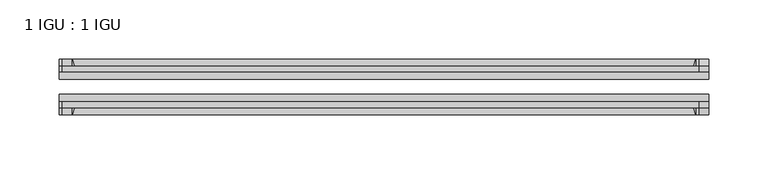
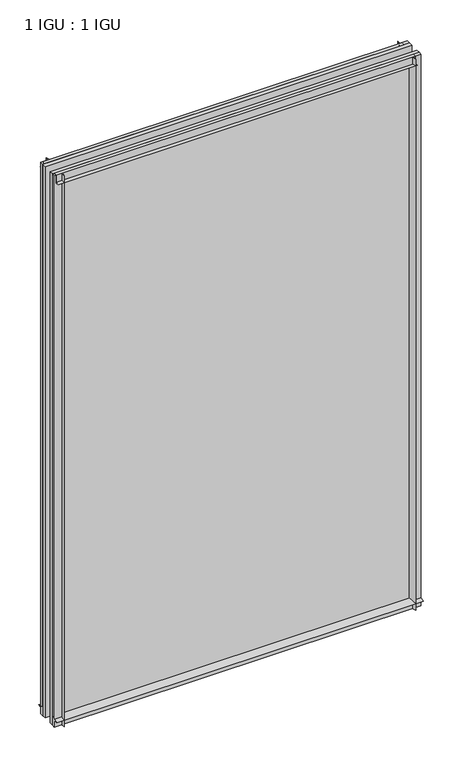
"""IFC4 building model written with IfcOpenShell, lengths in millimetres: plate geometry, 1 IGU : 1 IGU."""

from ifc_helpers import new_model, si_unit, point, frame, frame_2d, origin, place, context, project, spatial, polyline, circle_curve, trimmed, segment, composite_curve, outline, extrude, source, transform, mapped, element, save


def plate_1_igu_1_igu_fc10fbbc(model_context):
    return source(origin(), model_context, "Body", "SweptSolid", [
        extrude(outline(composite_curve([segment(trimmed(circle_curve(frame_2d((-28.0741797, 32.2797688)), 32.7673262), [point((-44.45, 3.8979053))], [point((-33.7058, 1.48e-05))], True, "CARTESIAN"), True, "CONTINUOUS"), segment(polyline([(-33.7058, 1.48e-05), (-39.6748, 1.48e-05), (-39.6748, -10.31875), (-44.45, -10.31875), (-44.45, 3.8979053)]), True, "CONTINUOUS")], self_intersect=False)), frame((-274.6375, 0.0, 0.0), z_axis=(1.0, 0.0, 0.0), x_axis=(0.0, 1.0, 0.0)), (0.0, 0.0, 1.0), 549.275),
        extrude(outline(composite_curve([segment(trimmed(circle_curve(frame_2d((-86.2258203, 32.2797602)), 32.7673262), [point((-80.5942354, 0.0))], [point((-69.85, 3.8978967))], True, "CARTESIAN"), True, "CONTINUOUS"), segment(polyline([(-69.85, 3.8978967), (-69.85, -10.31875), (-74.6252, -10.31875), (-74.6252, 0.0), (-80.5942354, 0.0)]), True, "CONTINUOUS")], self_intersect=False)), frame((-274.6375, 0.0, 0.0), z_axis=(1.0, 0.0, 0.0), x_axis=(0.0, 1.0, 0.0)), (0.0, 0.0, 1.0), 549.275),
        extrude(outline(composite_curve([segment(polyline([(-80.5942, 850.9), (-74.6252, 850.9), (-74.6252, 862.0125), (-69.85, 862.0125), (-69.85, 847.0021095)]), True, "CONTINUOUS"), segment(trimmed(circle_curve(frame_2d((-86.2258203, 818.620246)), 32.7673262), [point((-69.85, 847.0021095))], [point((-80.5942, 850.9))], True, "CARTESIAN"), True, "CONTINUOUS")], self_intersect=False)), frame((-272.0377386, 0.0, 0.0), z_axis=(1.0, 0.0, 0.0), x_axis=(0.0, 1.0, 0.0)), (0.0, 0.0, 1.0), 538.1087001),
        extrude(outline(composite_curve([segment(polyline([(-39.6748, 862.0125), (-39.6748, 850.9), (-33.7058, 850.9)]), True, "CONTINUOUS"), segment(trimmed(circle_curve(frame_2d((-28.0741797, 818.620246)), 32.7673262), [point((-33.7058, 850.9))], [point((-44.45, 847.0021095))], True, "CARTESIAN"), True, "CONTINUOUS"), segment(polyline([(-44.45, 847.0021095), (-44.45, 862.0125), (-39.6748, 862.0125)]), True, "CONTINUOUS")], self_intersect=False)), frame((-272.0377386, 0.0, 0.0), z_axis=(1.0, 0.0, 0.0), x_axis=(0.0, 1.0, 0.0)), (0.0, 0.0, 1.0), 538.1087001),
        extrude(outline(composite_curve([segment(polyline([(274.6375, -39.6748), (274.6375, -44.45), (259.6271095, -44.45)]), True, "CONTINUOUS"), segment(trimmed(circle_curve(frame_2d((231.245246, -28.0741797)), 32.7673262), [point((259.6271095, -44.45))], [point((263.525, -33.7058))], True, "CARTESIAN"), True, "CONTINUOUS"), segment(polyline([(263.525, -33.7058), (263.525, -39.6748), (274.6375, -39.6748)]), True, "CONTINUOUS")], self_intersect=False)), frame((0.0, 0.0, -10.31875), z_axis=(0.0, 0.0, 1.0), x_axis=(1.0, 0.0, 0.0)), (0.0, 0.0, 1.0), 872.33125),
        extrude(outline(composite_curve([segment(polyline([(274.6375, -69.85), (274.6375, -74.6252), (263.525, -74.6252), (263.525, -80.5942)]), True, "CONTINUOUS"), segment(trimmed(circle_curve(frame_2d((231.245246, -86.2258203)), 32.7673262), [point((263.525, -80.5942))], [point((259.6271095, -69.85))], True, "CARTESIAN"), True, "CONTINUOUS"), segment(polyline([(259.6271095, -69.85), (274.6375, -69.85)]), True, "CONTINUOUS")], self_intersect=False)), frame((0.0, 0.0, -10.31875), z_axis=(0.0, 0.0, 1.0), x_axis=(1.0, 0.0, 0.0)), (0.0, 0.0, 1.0), 872.33125),
        extrude(outline(composite_curve([segment(polyline([(-274.6375, -39.6748), (-263.525, -39.6748), (-263.525, -33.7058)]), True, "CONTINUOUS"), segment(trimmed(circle_curve(frame_2d((-231.245246, -28.0741797)), 32.7673262), [point((-263.525, -33.7058))], [point((-259.6271095, -44.45))], True, "CARTESIAN"), True, "CONTINUOUS"), segment(polyline([(-259.6271095, -44.45), (-274.6375, -44.45), (-274.6375, -39.6748)]), True, "CONTINUOUS")], self_intersect=False)), frame((0.0, 0.0, -10.31875), z_axis=(0.0, 0.0, 1.0), x_axis=(1.0, 0.0, 0.0)), (0.0, 0.0, 1.0), 872.33125),
        extrude(outline(composite_curve([segment(polyline([(-274.6375, -74.6252), (-274.6375, -69.85), (-259.6271095, -69.85)]), True, "CONTINUOUS"), segment(trimmed(circle_curve(frame_2d((-231.245246, -86.2258203)), 32.7673262), [point((-259.6271095, -69.85))], [point((-263.525, -80.5942))], True, "CARTESIAN"), True, "CONTINUOUS"), segment(polyline([(-263.525, -80.5942), (-263.525, -74.6252), (-274.6375, -74.6252)]), True, "CONTINUOUS")], self_intersect=False)), frame((0.0, 0.0, -10.31875), z_axis=(0.0, 0.0, 1.0), x_axis=(1.0, 0.0, 0.0)), (0.0, 0.0, 1.0), 872.33125),
        extrude(outline(polyline([(-274.6375, -69.85), (-274.6375, -63.5508), (274.6375, -63.5508), (274.6375, -69.85), (-274.6375, -69.85)])), frame((0.0, 0.0, -10.31875), z_axis=(0.0, 0.0, 1.0), x_axis=(1.0, 0.0, 0.0)), (0.0, 0.0, 1.0), 872.33125),
        extrude(outline(polyline([(274.6375, -50.7492), (-274.6375, -50.7492), (-274.6375, -44.45), (274.6375, -44.45), (274.6375, -50.7492)])), frame((0.0, 0.0, -10.31875), z_axis=(0.0, 0.0, 1.0), x_axis=(1.0, 0.0, 0.0)), (0.0, 0.0, 1.0), 872.33125),
    ])


if __name__ == "__main__":
    model = new_model("IFC4")
    model_context = context("Model", 3, world=origin())
    ifc_project = project(units=[si_unit("LENGTHUNIT", "METRE", prefix="MILLI")], contexts=[model_context])
    site = spatial("IfcSite", under=ifc_project)
    building = spatial("IfcBuilding", under=site)
    placement = place(None, origin())
    plate_1_igu_1_igu_shape = plate_1_igu_1_igu_fc10fbbc(model_context)
    element("IfcPlate", 1, ObjectType="1 IGU : 1 IGU", at=placement, inside=building, context=model_context, shape_type="MappedRepresentation", body=[
        mapped(plate_1_igu_1_igu_shape, transform((0.0, 0.0, 0.0), x_axis=(1.0, 0.0, 0.0), y_axis=(0.0, 1.0, 0.0), z_axis=(0.0, 0.0, 1.0))),
    ])
    save(model, "model.ifc")
